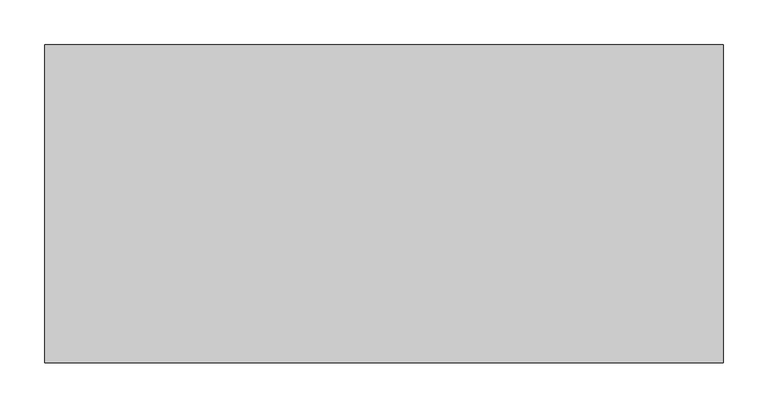
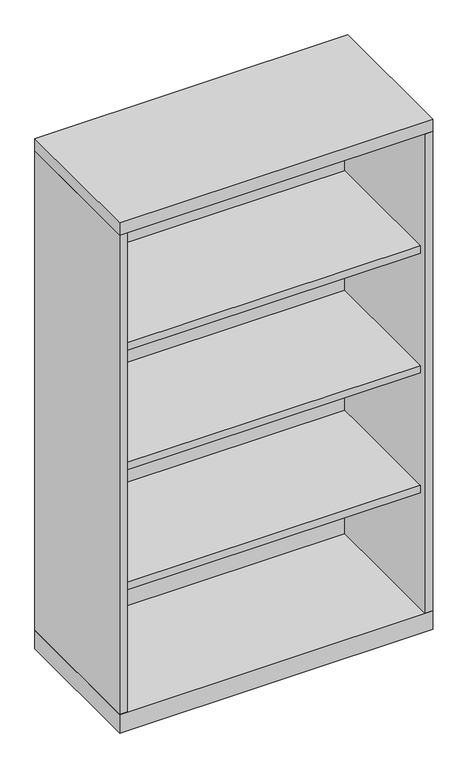
"""IFC4 building model written with IfcOpenShell, lengths in millimetres: furniture geometry."""

from ifc_helpers import new_model, si_unit, frame, origin, origin_with_axes, place, context, project, spatial, polyline, outline, extrude, source, transform, mapped, element, save


def furniture_a676b882(model_context):
    return source(origin(), model_context, "Body", "SweptSolid", [
        extrude(outline(polyline([(360.3625, -19.05), (360.3625, -336.55), (-360.3625, -336.55), (-360.3625, -19.05), (360.3625, -19.05)])), frame((0.0, 0.0, 652.4625), z_axis=(0.0, 0.0, 1.0), x_axis=(1.0, 0.0, 0.0)), (0.0, 0.0, 1.0), 19.05),
        extrude(outline(polyline([(360.3625, -19.05), (360.3625, -336.55), (-360.3625, -336.55), (-360.3625, -19.05), (360.3625, -19.05)])), frame((0.0, 0.0, 959.64375), z_axis=(0.0, 0.0, 1.0), x_axis=(1.0, 0.0, 0.0)), (0.0, 0.0, 1.0), 19.05),
        extrude(outline(polyline([(360.3625, -19.05), (360.3625, -336.55), (-360.3625, -336.55), (-360.3625, -19.05), (360.3625, -19.05)])), frame((0.0, 0.0, 345.28125), z_axis=(0.0, 0.0, 1.0), x_axis=(1.0, 0.0, 0.0)), (0.0, 0.0, 1.0), 19.05),
        extrude(outline(polyline([(379.4125, 0.0), (379.4125, -355.6), (-379.4125, -355.6), (-379.4125, 0.0), (379.4125, 0.0)])), origin_with_axes(), (0.0, 0.0, 1.0), 47.625),
        extrude(outline(polyline([(379.4125, 0.0), (379.4125, -355.6), (-379.4125, -355.6), (-379.4125, 0.0), (379.4125, 0.0)])), frame((0.0, 0.0, 1276.35), z_axis=(0.0, 0.0, 1.0), x_axis=(1.0, 0.0, 0.0)), (0.0, 0.0, 1.0), 31.75),
        extrude(outline(polyline([(379.4125, 0.0), (379.4125, -355.6), (360.3625, -355.6), (360.3625, -19.05), (-360.3625, -19.05), (-360.3625, -355.6), (-379.4125, -355.6), (-379.4125, 0.0), (379.4125, 0.0)])), frame((0.0, 0.0, 47.625), z_axis=(0.0, 0.0, 1.0), x_axis=(1.0, 0.0, 0.0)), (0.0, 0.0, 1.0), 1228.725),
    ])


if __name__ == "__main__":
    model = new_model("IFC4")
    model_context = context("Model", 3, world=origin())
    ifc_project = project(units=[si_unit("LENGTHUNIT", "METRE", prefix="MILLI")], contexts=[model_context])
    site = spatial("IfcSite", under=ifc_project)
    building = spatial("IfcBuilding", under=site)
    placement = place(None, origin())
    furniture_shape = furniture_a676b882(model_context)
    element("IfcFurniture", 1, at=placement, inside=building, context=model_context, shape_type="MappedRepresentation", body=[
        mapped(furniture_shape, transform((0.0, 0.0, 0.0), x_axis=(1.0, 0.0, 0.0), y_axis=(0.0, 1.0, 0.0), z_axis=(0.0, 0.0, 1.0))),
    ])
    save(model, "model.ifc")
